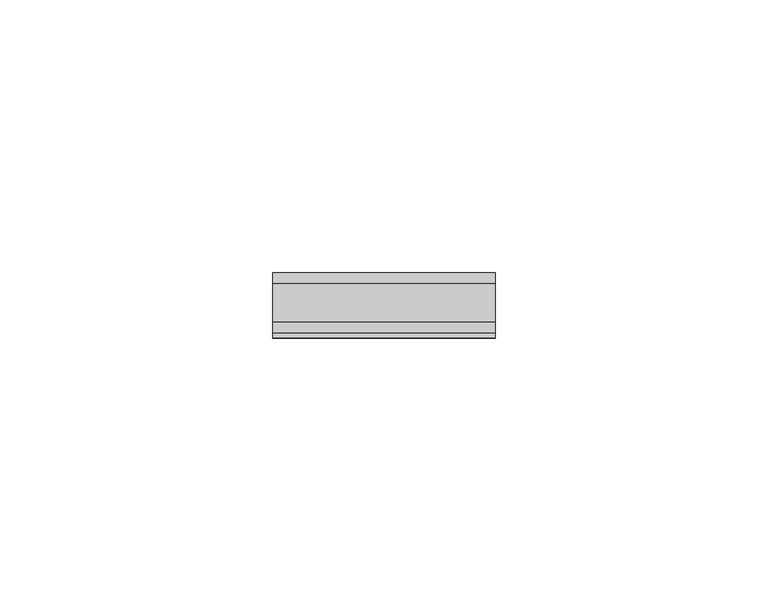
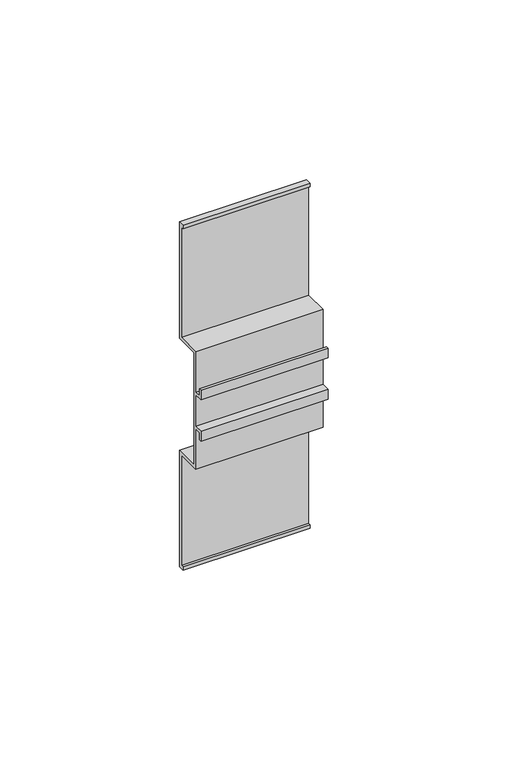
"""IFC4 building model written with IfcOpenShell, lengths in millimetres: proxy geometry."""

from ifc_helpers import new_model, si_unit, frame, origin, place, context, project, spatial, polyline, outline, extrude, source, transform, mapped, element, save


def building_element_proxy_58677324(model_context):
    return source(origin(), model_context, "Body", "SweptSolid", [
        extrude(outline(polyline([(32.0329716, 43.5), (32.0329716, 3.9340596), (30.1133364, 3.9340596), (30.1133364, 5.0999823), (31.0329716, 5.0999823), (31.0329716, 42.5), (23.0329716, 42.5), (23.0329716, 56.2525015), (20.9509974, 56.2525015), (20.9509974, 53.8238385), (20.0769924, 53.8238385), (20.0769924, 57.1450575), (23.0329716, 57.1450575), (23.0329716, 67.8549425), (20.0769924, 67.8549425), (20.0769924, 71.1761615), (20.9509974, 71.1761615), (20.9509974, 68.7474985), (23.0329716, 68.7474985), (23.0329716, 82.5), (31.0329716, 82.5), (31.0329716, 119.9000177), (30.1133364, 119.9000177), (30.1133364, 121.0659404), (32.0329716, 121.0659404), (32.0329716, 81.5), (24.0329716, 81.5), (24.0329716, 62.5), (24.0329716, 43.5), (32.0329716, 43.5)])), frame((-20.4559659, 0.0, 0.0), z_axis=(1.0, 0.0, 0.0), x_axis=(0.0, 1.0, 0.0)), (0.0, 0.0, 1.0), 40.7996964),
    ])


if __name__ == "__main__":
    model = new_model("IFC4")
    model_context = context("Model", 3, world=origin())
    ifc_project = project(units=[si_unit("LENGTHUNIT", "METRE", prefix="MILLI")], contexts=[model_context])
    site = spatial("IfcSite", under=ifc_project)
    building = spatial("IfcBuilding", under=site)
    placement = place(None, origin())
    building_element_proxy_shape = building_element_proxy_58677324(model_context)
    element("IfcBuildingElementProxy", 1, Name="Building Element Proxy", at=placement, inside=building, context=model_context, shape_type="MappedRepresentation", body=[
        mapped(building_element_proxy_shape, transform((0.0, 0.0, 0.0), x_axis=(1.0, 0.0, 0.0), y_axis=(0.0, 1.0, 0.0), z_axis=(0.0, 0.0, 1.0))),
    ])
    save(model, "model.ifc")
